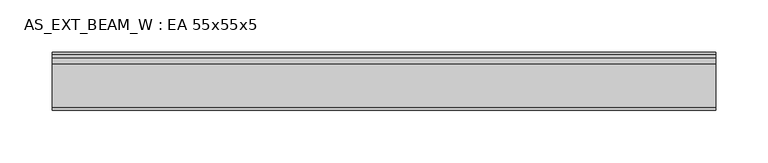
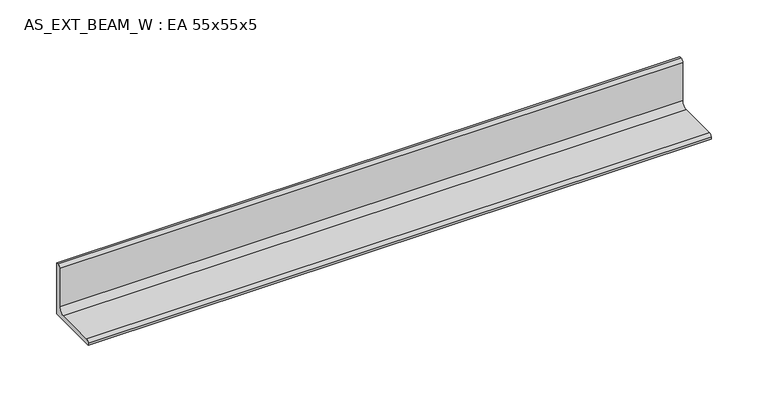
"""IFC4 building model written with IfcOpenShell, lengths in millimetres: beam geometry, AS_EXT_BEAM_W : EA 55x55x5."""

from ifc_helpers import new_model, si_unit, point, frame, frame_2d, origin, place, context, project, spatial, polyline, circle_curve, trimmed, segment, composite_curve, outline, extrude, source, transform, mapped, element, save


def as_ext_beam_w_ea_55x55x5_acb35f74(model_context):
    return source(origin(), model_context, "Body", "SweptSolid", [
        extrude(outline(composite_curve([segment(polyline([(15.2, -15.2), (-39.8, -15.2), (-39.8, -13.2)]), True, "CONTINUOUS"), segment(trimmed(circle_curve(frame_2d((-36.8, -13.2)), 3.0), [point((-39.8, -13.2))], [point((-36.8, -10.2))], False, "CARTESIAN"), True, "CONTINUOUS"), segment(polyline([(-36.8, -10.2), (4.2, -10.2)]), True, "CONTINUOUS"), segment(trimmed(circle_curve(frame_2d((4.2, -4.2)), 6.0), [point((4.2, -10.2))], [point((10.2, -4.2))], True, "CARTESIAN"), True, "CONTINUOUS"), segment(polyline([(10.2, -4.2), (10.2, 36.8)]), True, "CONTINUOUS"), segment(trimmed(circle_curve(frame_2d((13.2, 36.8)), 3.0), [point((10.2, 36.8))], [point((13.2, 39.8))], False, "CARTESIAN"), True, "CONTINUOUS"), segment(polyline([(13.2, 39.8), (15.2, 39.8), (15.2, -15.2)]), True, "CONTINUOUS")], self_intersect=False)), frame((-316.0, 0.0, 0.0), z_axis=(1.0, 0.0, 0.0), x_axis=(0.0, 1.0, 0.0)), (0.0, 0.0, 1.0), 632.0),
    ])


if __name__ == "__main__":
    model = new_model("IFC4")
    model_context = context("Model", 3, world=origin())
    ifc_project = project(units=[si_unit("LENGTHUNIT", "METRE", prefix="MILLI")], contexts=[model_context])
    site = spatial("IfcSite", under=ifc_project)
    building = spatial("IfcBuilding", under=site)
    placement = place(None, origin())
    as_ext_beam_w_ea_55x55x5_shape = as_ext_beam_w_ea_55x55x5_acb35f74(model_context)
    element("IfcBeam", 1, ObjectType="AS_EXT_BEAM_W : EA 55x55x5", at=placement, inside=building, context=model_context, shape_type="MappedRepresentation", body=[
        mapped(as_ext_beam_w_ea_55x55x5_shape, transform((0.0, 0.0, 0.0), x_axis=(1.0, 0.0, 0.0), y_axis=(0.0, 1.0, 0.0), z_axis=(0.0, 0.0, 1.0))),
    ])
    save(model, "model.ifc")
